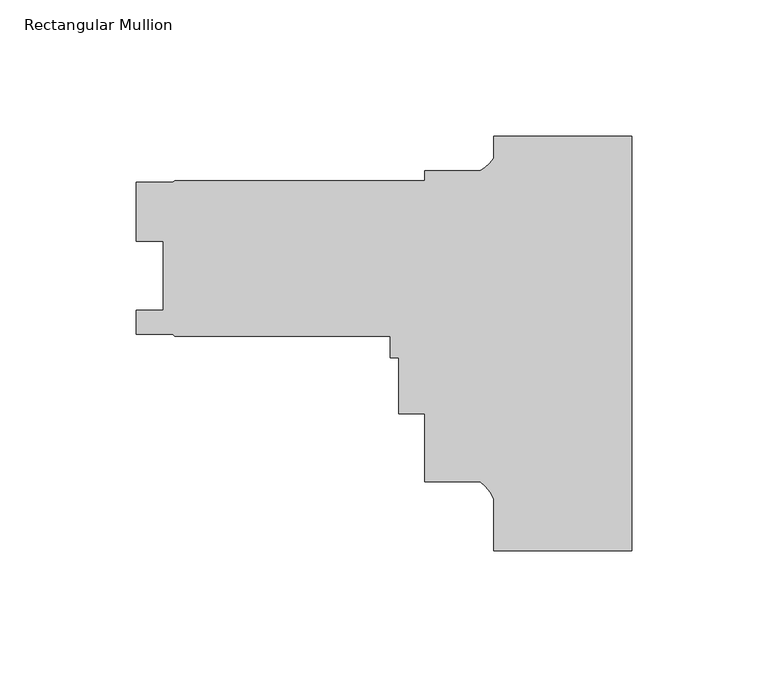
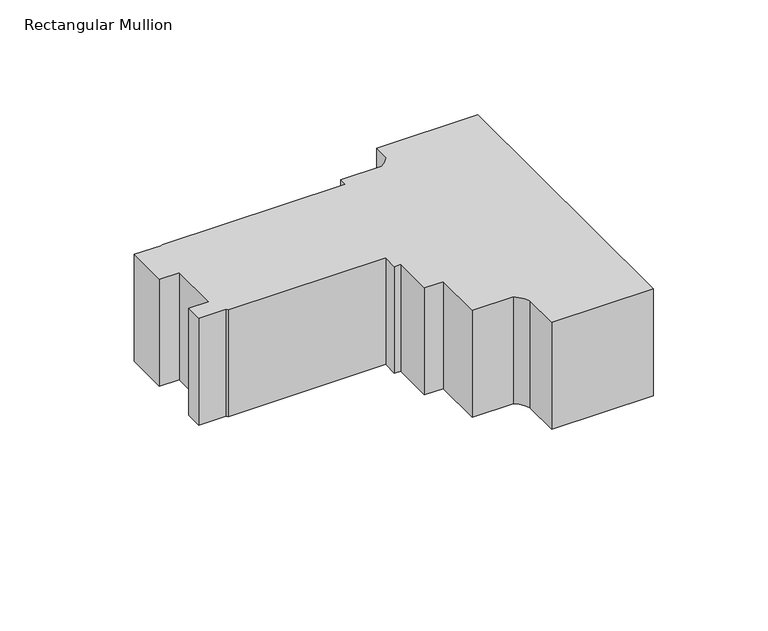
"""IFC4 building model written with IfcOpenShell, lengths in millimetres: member geometry, Rectangular Mullion."""

from ifc_helpers import new_model, si_unit, point, frame, frame_2d, origin, place, context, project, spatial, polyline, circle_curve, trimmed, segment, composite_curve, outline, extrude, source, transform, mapped, element, save


def rectangular_mullion_233a5862(model_context):
    return source(origin(), model_context, "Body", "SweptSolid", [
        extrude(outline(composite_curve([segment(polyline([(0.0, -151.8046875), (-50.8, -151.8046875), (-50.8, -132.7155246)]), True, "CONTINUOUS"), segment(trimmed(circle_curve(frame_2d((-64.9144624, -138.7686396)), 15.3576772), [point((-50.8, -132.7155246))], [point((-55.6934851, -126.4872786))], True, "CARTESIAN"), True, "CONTINUOUS"), segment(polyline([(-55.6934851, -126.4872786), (-76.1999898, -126.4872786), (-76.1999898, -101.4428786), (-85.7249898, -101.4428786), (-85.7249898, -80.8180786), (-88.8999898, -80.8180786), (-88.8999898, -73.031823), (-167.9927668, -73.031823), (-168.7865168, -72.238073), (-182.2802668, -72.238073), (-182.2802668, -63.500473), (-172.2345667, -63.500473), (-172.2345667, -38.100473), (-182.2675665, -38.100473), (-182.2675665, -16.3390229), (-168.7846602, -16.3390229), (-167.9927668, -15.881823), (-76.1999898, -15.881823), (-76.1999898, -12.1872786), (-55.7723453, -12.1872786)]), True, "CONTINUOUS"), segment(trimmed(circle_curve(frame_2d((-62.7094465, 0.3883845)), 14.3621265), [point((-55.7723453, -12.1872786))], [point((-50.8, -7.6388043))], True, "CARTESIAN"), True, "CONTINUOUS"), segment(polyline([(-50.8, -7.6388043), (-50.8, 0.5953125), (0.0, 0.5953125), (0.0, -151.8046875)]), True, "CONTINUOUS")], self_intersect=False)), frame((0.0, 0.0, -56.7255971), z_axis=(0.0, 0.0, 1.0), x_axis=(1.0, 0.0, 0.0)), (0.0, 0.0, 1.0), 56.7255971),
    ])


if __name__ == "__main__":
    model = new_model("IFC4")
    model_context = context("Model", 3, world=origin())
    ifc_project = project(units=[si_unit("LENGTHUNIT", "METRE", prefix="MILLI")], contexts=[model_context])
    site = spatial("IfcSite", under=ifc_project)
    building = spatial("IfcBuilding", under=site)
    placement = place(None, origin())
    rectangular_mullion_shape = rectangular_mullion_233a5862(model_context)
    element("IfcMember", 1, ObjectType="Rectangular Mullion", at=placement, inside=building, context=model_context, shape_type="MappedRepresentation", body=[
        mapped(rectangular_mullion_shape, transform((0.0, 0.0, 0.0), x_axis=(1.0, 0.0, 0.0), y_axis=(0.0, 1.0, 0.0), z_axis=(0.0, 0.0, 1.0))),
    ])
    save(model, "model.ifc")
